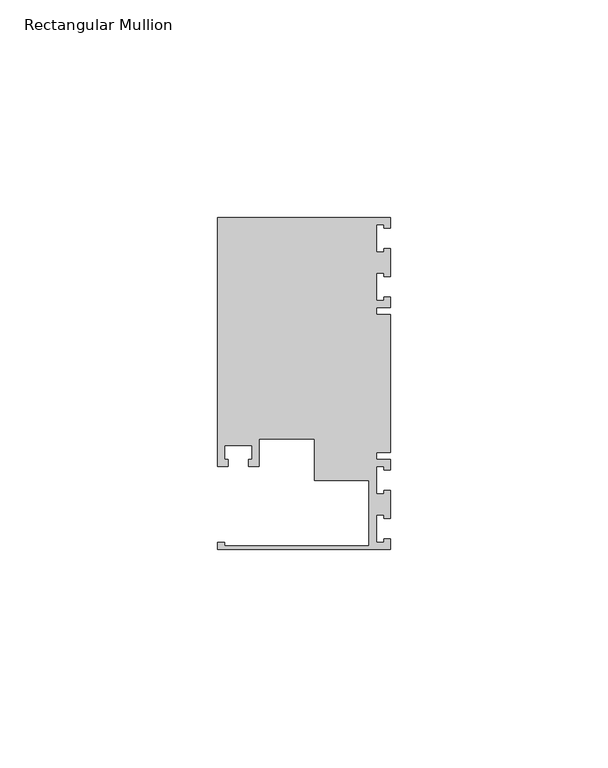
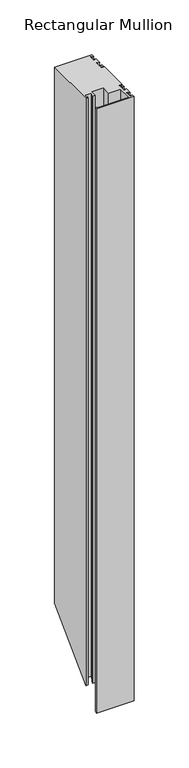
"""IFC4 building model written with IfcOpenShell, lengths in millimetres: member geometry, Rectangular Mullion."""

from ifc_helpers import new_model, si_unit, origin, place, context, project, spatial, faceted_brep, source, transform, mapped, element, save


def rectangular_mullion_9fbd1f9b(model_context):
    return source(origin(), model_context, "Body", "Brep", [
        faceted_brep([(0.0, -38.1, 0.0), (0.0, -35.71875, 0.0), (-1.4999946, -35.71875, 0.0), (-1.4999946, -36.5125, 0.0), (-3.175, -36.5125, 0.0), (-3.175, -30.1625, 0.0), (-1.4999946, -30.1625, 0.0), (-1.4999946, -30.95625, 0.0), (0.0, -30.95625, 0.0), (0.0, -24.60625, 0.0), (-1.4999946, -24.60625, 0.0), (-1.4999946, -25.4, 0.0), (-3.175, -25.4, 0.0), (-3.175, -19.05, 0.0), (-1.4999946, -19.05, 0.0), (-1.4999946, -19.84375, 0.0), (0.0, -19.84375, 0.0), (0.0, -17.4625, 0.0), (-3.175, -17.4625, 0.0), (-3.175, -15.875, 0.0), (0.0, -15.875, 0.0), (0.0, 15.875, 0.0), (-3.175, 15.875, 0.0), (-3.175, 17.4625, 0.0), (0.0, 17.4625, 0.0), (0.0, 19.84375, 0.0), (-1.4999946, 19.84375, 0.0), (-1.4999946, 19.05, 0.0), (-3.175, 19.05, 0.0), (-3.175, 25.4, 0.0), (-1.4999946, 25.4, 0.0), (-1.4999946, 24.60625, 0.0), (0.0, 24.60625, 0.0), (0.0, 30.95625, 0.0), (-1.4999946, 30.95625, 0.0), (-1.4999946, 30.1625, 0.0), (-3.175, 30.1625, 0.0), (-3.175, 36.5125, 0.0), (-1.4999946, 36.5125, 0.0), (-1.4999946, 35.71875, 0.0), (0.0, 35.71875, 0.0), (0.0, 38.1, 0.0), (-39.6875, 38.1, 0.0), (-39.6875, -19.05, 0.0), (-37.30625, -19.05, 0.0), (-37.30625, -17.4625, 0.0), (-38.1, -17.4625, 0.0), (-38.1, -14.2875, 0.0), (-31.75, -14.2875, 0.0), (-31.75, -17.4625, 0.0), (-32.54375, -17.4625, 0.0), (-32.54375, -19.05, 0.0), (-30.1625, -19.05, 0.0), (-30.1625, -12.6999969, 0.0), (-17.4625, -12.6999969, 0.0), (-17.4625, -22.225, 0.0), (-4.8585733, -22.225, 0.0), (-4.8585733, -37.30625, 0.0), (-38.1, -37.30625, 0.0), (-38.1, -36.5125, 0.0), (-39.6875, -36.5125, 0.0), (-39.6875, -38.1, 0.0), (0.0, -38.1, -673.1), (0.0, -35.71875, -670.71875), (-1.4999946, -35.71875, -670.71875), (-1.4999946, -36.5125, -671.5125), (-3.175, -36.5125, -671.5125), (-3.175, -30.1625, -665.1625), (-1.4999946, -30.1625, -665.1625), (-1.4999946, -30.95625, -665.95625), (0.0, -30.95625, -665.95625), (0.0, -24.60625, -659.60625), (-1.4999946, -24.60625, -659.60625), (-1.4999946, -25.4, -660.4), (-3.175, -25.4, -660.4), (-3.175, -19.05, -654.05), (-1.4999946, -19.05, -654.05), (-1.4999946, -19.84375, -654.84375), (0.0, -19.84375, -654.84375), (0.0, -17.4625, -652.4625), (-3.175, -17.4625, -652.4625), (-3.175, -15.875, -650.875), (0.0, -15.875, -650.875), (0.0, 15.875, -619.125), (-3.175, 15.875, -619.125), (-3.175, 17.4625, -617.5375), (0.0, 17.4625, -617.5375), (0.0, 19.84375, -615.15625), (-1.4999946, 19.84375, -615.15625), (-1.4999946, 19.05, -615.95), (-3.175, 19.05, -615.95), (-3.175, 25.4, -609.6), (-1.4999946, 25.4, -609.6), (-1.4999946, 24.60625, -610.39375), (0.0, 24.60625, -610.39375), (0.0, 30.95625, -604.04375), (-1.4999946, 30.95625, -604.04375), (-1.4999946, 30.1625, -604.8375), (-3.175, 30.1625, -604.8375), (-3.175, 36.5125, -598.4875), (-1.4999946, 36.5125, -598.4875), (-1.4999946, 35.71875, -599.28125), (0.0, 35.71875, -599.28125), (0.0, 38.1, -596.9), (-39.6875, 38.1, -596.9), (-39.6875, -19.05, -654.05), (-37.30625, -19.05, -654.05), (-37.30625, -17.4625, -652.4625), (-38.1, -17.4625, -652.4625), (-38.1, -14.2875, -649.2875), (-31.75, -14.2875, -649.2875), (-31.75, -17.4625, -652.4625), (-32.54375, -17.4625, -652.4625), (-32.54375, -19.05, -654.05), (-30.1625, -19.05, -654.05), (-30.1625, -12.6999969, -647.6999969), (-17.4625, -12.6999969, -647.6999969), (-17.4625, -22.225, -657.225), (-4.8585733, -22.225, -657.225), (-4.8585733, -37.30625, -672.30625), (-38.1, -37.30625, -672.30625), (-38.1, -36.5125, -671.5125), (-39.6875, -36.5125, -671.5125), (-39.6875, -38.1, -673.1)], [[[0, 1, 2, 3, 4, 5, 6, 7, 8, 9, 10, 11, 12, 13, 14, 15, 16, 17, 18, 19, 20, 21, 22, 23, 24, 25, 26, 27, 28, 29, 30, 31, 32, 33, 34, 35, 36, 37, 38, 39, 40, 41, 42, 43, 44, 45, 46, 47, 48, 49, 50, 51, 52, 53, 54, 55, 56, 57, 58, 59, 60, 61]], [[1, 0, 62, 63]], [[2, 1, 63, 64]], [[3, 2, 64, 65]], [[4, 3, 65, 66]], [[5, 4, 66, 67]], [[6, 5, 67, 68]], [[7, 6, 68, 69]], [[8, 7, 69, 70]], [[9, 8, 70, 71]], [[10, 9, 71, 72]], [[11, 10, 72, 73]], [[12, 11, 73, 74]], [[13, 12, 74, 75]], [[14, 13, 75, 76]], [[15, 14, 76, 77]], [[16, 15, 77, 78]], [[17, 16, 78, 79]], [[18, 17, 79, 80]], [[19, 18, 80, 81]], [[20, 19, 81, 82]], [[21, 20, 82, 83]], [[22, 21, 83, 84]], [[23, 22, 84, 85]], [[24, 23, 85, 86]], [[25, 24, 86, 87]], [[26, 25, 87, 88]], [[27, 26, 88, 89]], [[28, 27, 89, 90]], [[29, 28, 90, 91]], [[30, 29, 91, 92]], [[31, 30, 92, 93]], [[32, 31, 93, 94]], [[33, 32, 94, 95]], [[34, 33, 95, 96]], [[35, 34, 96, 97]], [[36, 35, 97, 98]], [[37, 36, 98, 99]], [[38, 37, 99, 100]], [[39, 38, 100, 101]], [[40, 39, 101, 102]], [[41, 40, 102, 103]], [[42, 41, 103, 104]], [[43, 42, 104, 105]], [[44, 43, 105, 106]], [[45, 44, 106, 107]], [[46, 45, 107, 108]], [[47, 46, 108, 109]], [[48, 47, 109, 110]], [[49, 48, 110, 111]], [[50, 49, 111, 112]], [[51, 50, 112, 113]], [[52, 51, 113, 114]], [[53, 52, 114, 115]], [[54, 53, 115, 116]], [[55, 54, 116, 117]], [[56, 55, 117, 118]], [[57, 56, 118, 119]], [[58, 57, 119, 120]], [[59, 58, 120, 121]], [[60, 59, 121, 122]], [[61, 60, 122, 123]], [[0, 61, 123, 62]], [[62, 123, 122, 121, 120, 119, 118, 117, 116, 115, 114, 113, 112, 111, 110, 109, 108, 107, 106, 105, 104, 103, 102, 101, 100, 99, 98, 97, 96, 95, 94, 93, 92, 91, 90, 89, 88, 87, 86, 85, 84, 83, 82, 81, 80, 79, 78, 77, 76, 75, 74, 73, 72, 71, 70, 69, 68, 67, 66, 65, 64, 63]]]),
    ])


if __name__ == "__main__":
    model = new_model("IFC4")
    model_context = context("Model", 3, world=origin())
    ifc_project = project(units=[si_unit("LENGTHUNIT", "METRE", prefix="MILLI")], contexts=[model_context])
    site = spatial("IfcSite", under=ifc_project)
    building = spatial("IfcBuilding", under=site)
    placement = place(None, origin())
    rectangular_mullion_shape = rectangular_mullion_9fbd1f9b(model_context)
    element("IfcMember", 1, ObjectType="Rectangular Mullion", at=placement, inside=building, context=model_context, shape_type="MappedRepresentation", body=[
        mapped(rectangular_mullion_shape, transform((0.0, 0.0, 0.0), x_axis=(1.0, 0.0, 0.0), y_axis=(0.0, 1.0, 0.0), z_axis=(0.0, 0.0, 1.0))),
    ])
    save(model, "model.ifc")
